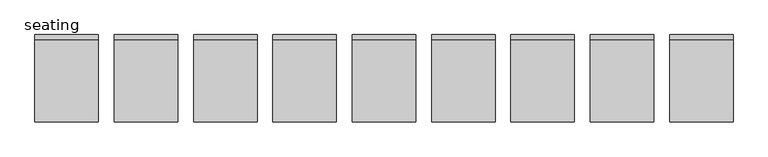
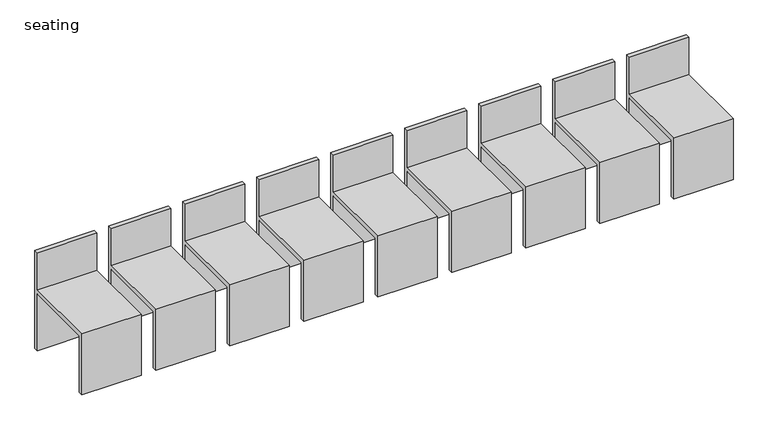
"""IFC4 building model written with IfcOpenShell, lengths in millimetres: railing geometry, seating."""

import ifcopenshell
import ifcopenshell.guid

model = None  # the IFC model being written
_history = None  # IfcOwnerHistory: only IFC2X3 demands one
_inside = {}  # id of a spatial element -> (the spatial element, [elements in it])
_under = {}  # id of a project, library or spatial element -> (it, [spatial elements below it])
_declared = {}  # id of a project -> (the project, [libraries it declares])
_typed = {}  # id of a type object -> (the type object, [elements of that type])
_made_of = {}  # id of a material, layer set ... -> (it, [elements and type objects made of it])


def new_model(schema):
    """Start an empty IFC model of exactly this schema.

    Asked for "IFC4X3", IfcOpenShell would pick the latest addendum, in which some entities
    have other attributes; the version numbers below select the first issue.
    IFC2X3 requires an IfcOwnerHistory on every rooted entity: one is made here for all.
    """
    global model, _history
    if schema == "IFC4X3":
        model = ifcopenshell.file(schema_version=(4, 3, 0, 0))
    else:
        model = ifcopenshell.file(schema=schema)
    _inside.clear()
    _under.clear()
    _declared.clear()
    _typed.clear()
    _made_of.clear()
    _history = None
    if model.schema == "IFC2X3":
        org = make("IfcOrganization", Name="unknown")
        user = make(
            "IfcPersonAndOrganization",
            ThePerson=make("IfcPerson", FamilyName="unknown"),
            TheOrganization=org,
        )
        app = make(
            "IfcApplication",
            ApplicationDeveloper=org,
            Version="unknown",
            ApplicationFullName="unknown",
            ApplicationIdentifier="unknown",
        )
        _history = make(
            "IfcOwnerHistory",
            OwningUser=user,
            OwningApplication=app,
            ChangeAction="ADDED",
            CreationDate=0,
        )
    return model


def make(cls, **values):
    """One entity of the class cls with the attributes given. An attribute that is None is left unset."""
    return model.create_entity(
        cls, **{name: value for name, value in values.items() if value is not None}
    )


def rooted(cls, **values):
    """An entity with a GlobalId (a new one), such as an element, a storey or a relation."""
    return make(cls, GlobalId=ifcopenshell.guid.new(), OwnerHistory=_history, **values)


def si_unit(unit_type, name, prefix=None):
    """IfcSIUnit, for example si_unit("LENGTHUNIT", "METRE", prefix="MILLI")."""
    return make("IfcSIUnit", UnitType=unit_type, Prefix=prefix, Name=name)


def assignment(units):
    """IfcUnitAssignment: the units of a project."""
    return None if units is None else make("IfcUnitAssignment", Units=units)


def point(xyz):
    """IfcCartesianPoint."""
    return None if xyz is None else make("IfcCartesianPoint", Coordinates=xyz)


def direction(xyz):
    """IfcDirection."""
    return None if xyz is None else make("IfcDirection", DirectionRatios=xyz)


def frame(location, z_axis=None, x_axis=None):
    """IfcAxis2Placement3D, a coordinate frame: its origin and axes. An axis left out is left unset."""
    return make(
        "IfcAxis2Placement3D",
        Location=point(location),
        Axis=direction(z_axis),
        RefDirection=direction(x_axis),
    )


def origin():
    """The frame at (0, 0, 0) with its axes left unset."""
    return frame((0.0, 0.0, 0.0))


def place(relative_to, where):
    """IfcLocalPlacement: puts the frame where relative to a parent placement (None: the world)."""
    return make(
        "IfcLocalPlacement", PlacementRelTo=relative_to, RelativePlacement=where
    )


def context(
    kind, dimensions, precision=None, world=None, true_north=None, identifier=None
):
    """IfcGeometricRepresentationContext, for example the 3D "Model" context."""
    return make(
        "IfcGeometricRepresentationContext",
        ContextIdentifier=identifier,
        ContextType=kind,
        CoordinateSpaceDimension=dimensions,
        Precision=precision,
        WorldCoordinateSystem=world,
        TrueNorth=true_north,
    )


def project(units=None, contexts=None):
    """IfcProject with its units and contexts."""
    return rooted(
        "IfcProject",
        Name="project",
        RepresentationContexts=contexts,
        UnitsInContext=assignment(units),
    )


def spatial(cls, under=None, at=None, **own):
    """A site, building, storey or space (cls), placed at a placement, below another one or the project."""
    s = rooted(cls, ObjectPlacement=at, **own)
    if under is not None:
        _under.setdefault(under.id(), (under, []))[1].append(s)
    return s


def polyline(points):
    """IfcPolyline through the points."""
    return make("IfcPolyline", Points=[point(p) for p in points])


def outline(outer, holes=None, kind="AREA"):
    """IfcArbitraryClosedProfileDef: a profile drawn as a closed curve; with holes, ...WithVoids."""
    if holes is None:
        return make("IfcArbitraryClosedProfileDef", ProfileType=kind, OuterCurve=outer)
    return make(
        "IfcArbitraryProfileDefWithVoids",
        ProfileType=kind,
        OuterCurve=outer,
        InnerCurves=holes,
    )


def extrude(swept, where, along, depth):
    """IfcExtrudedAreaSolid: the profile swept, set in the frame where, extruded along a direction by depth."""
    return make(
        "IfcExtrudedAreaSolid",
        SweptArea=swept,
        Position=where,
        ExtrudedDirection=direction(along),
        Depth=depth,
    )


def shape(context_of_items, identifier, shape_type, items):
    """IfcShapeRepresentation: the items that make up one representation, for example the "Body"."""
    return make(
        "IfcShapeRepresentation",
        ContextOfItems=context_of_items,
        RepresentationIdentifier=identifier,
        RepresentationType=shape_type,
        Items=items,
    )


def source(mapping_origin, context_of_items, identifier, shape_type, items):
    """IfcRepresentationMap: a shape defined once, which mapped items show again and again."""
    return make(
        "IfcRepresentationMap",
        MappingOrigin=mapping_origin,
        MappedRepresentation=shape(context_of_items, identifier, shape_type, items),
    )


def transform(
    local_origin,
    x_axis=None,
    y_axis=None,
    z_axis=None,
    scale=None,
    scale2=None,
    scale3=None,
    uniform=True,
):
    """IfcCartesianTransformationOperator3D, or its non-uniform kind. x_axis, y_axis, z_axis: its Axis1, 2, 3."""
    if uniform:
        return make(
            "IfcCartesianTransformationOperator3D",
            Axis1=direction(x_axis),
            Axis2=direction(y_axis),
            LocalOrigin=point(local_origin),
            Scale=scale,
            Axis3=direction(z_axis),
        )
    return make(
        "IfcCartesianTransformationOperator3DnonUniform",
        Axis1=direction(x_axis),
        Axis2=direction(y_axis),
        LocalOrigin=point(local_origin),
        Scale=scale,
        Axis3=direction(z_axis),
        Scale2=scale2,
        Scale3=scale3,
    )


def mapped(mapping_source, mapping_target):
    """IfcMappedItem: shows the shape of a source again, moved by a transform."""
    return make(
        "IfcMappedItem", MappingSource=mapping_source, MappingTarget=mapping_target
    )


def made_of(thing, what):
    """Note that an element or type object is made of a material, layer set ...; save() writes the relation."""
    if what is not None:
        _made_of.setdefault(what.id(), (what, []))[1].append(thing)
    return thing


def element(
    cls,
    number,
    at=None,
    inside=None,
    cuts=None,
    type_object=None,
    material=None,
    context=None,
    identifier="Body",
    shape_type=None,
    held_by="IfcProductDefinitionShape",
    body=None,
    shapes=None,
    **own,
):
    """One element of the class cls, such as IfcWall. Its Tag is "e" and its number.

    at: its placement. inside: the storey or other place that contains it. cuts: it is an
    opening in that element (IfcRelVoidsElement). A single representation is given by context,
    identifier, shape_type and body (its items); several are given by shapes. held_by: the class
    of the entity that holds the representations. save() writes the other relations.
    """
    e = rooted(cls, Tag="e%d" % number, ObjectPlacement=at, **own)
    if body is not None:
        shapes = [shape(context, identifier, shape_type, body)]
    if shapes is not None:
        e.Representation = make(held_by, Representations=shapes)
    if inside is not None:
        _inside.setdefault(inside.id(), (inside, []))[1].append(e)
    if cuts is not None:
        rooted(
            "IfcRelVoidsElement", RelatingBuildingElement=cuts, RelatedOpeningElement=e
        )
    if type_object is not None:
        _typed.setdefault(type_object.id(), (type_object, []))[1].append(e)
    return made_of(e, material)


def aggregate(whole, parts):
    """IfcRelAggregates: a whole, such as a stair, and the parts it consists of."""
    return rooted("IfcRelAggregates", RelatingObject=whole, RelatedObjects=parts)


def save(model, path):
    """Write the relations noted so far, then the file.

    IfcRelAggregates (storeys below a building ...), IfcRelContainedInSpatialStructure (elements
    in a storey), IfcRelDefinesByType, IfcRelAssociatesMaterial and IfcRelDeclares: one each for
    every whole, place, type object, material and project.
    """
    for whole, parts in _under.values():
        aggregate(whole, parts)
    for where, things in _inside.values():
        rooted(
            "IfcRelContainedInSpatialStructure",
            RelatedElements=things,
            RelatingStructure=where,
        )
    for kind, things in _typed.values():
        rooted("IfcRelDefinesByType", RelatedObjects=things, RelatingType=kind)
    for what, things in _made_of.values():
        rooted("IfcRelAssociatesMaterial", RelatedObjects=things, RelatingMaterial=what)
    for by, libraries in _declared.values():
        rooted("IfcRelDeclares", RelatingContext=by, RelatedDefinitions=libraries)
    model.write(path)


def seating_07cf18a8(model_context):
    return source(origin(), model_context, "Body", "SweptSolid", [
        extrude(outline(polyline([(926.1313229, 600.0), (896.1313229, 600.0), (896.1313229, 1004.446213), (406.1313229, 1004.446213), (406.1313229, 600.0), (376.1313229, 600.0), (376.1313229, 1034.446213), (896.1313229, 1034.446213), (896.1313229, 1300.0), (926.1313229, 1300.0), (926.1313229, 600.0)])), frame((-5037.3231975, 0.0, 0.0), z_axis=(1.0, 0.0, 0.0), x_axis=(0.0, 1.0, 0.0)), (0.0, 0.0, 1.0), 400.0),
        extrude(outline(polyline([(926.1313229, 600.0), (896.1313229, 600.0), (896.1313229, 1004.446213), (406.1313229, 1004.446213), (406.1313229, 600.0), (376.1313229, 600.0), (376.1313229, 1034.446213), (896.1313229, 1034.446213), (896.1313229, 1300.0), (926.1313229, 1300.0), (926.1313229, 600.0)])), frame((-5537.3231975, 0.0, 0.0), z_axis=(1.0, 0.0, 0.0), x_axis=(0.0, 1.0, 0.0)), (0.0, 0.0, 1.0), 400.0),
        extrude(outline(polyline([(926.1313229, 600.0), (896.1313229, 600.0), (896.1313229, 1004.446213), (406.1313229, 1004.446213), (406.1313229, 600.0), (376.1313229, 600.0), (376.1313229, 1034.446213), (896.1313229, 1034.446213), (896.1313229, 1300.0), (926.1313229, 1300.0), (926.1313229, 600.0)])), frame((-6037.3231975, 0.0, 0.0), z_axis=(1.0, 0.0, 0.0), x_axis=(0.0, 1.0, 0.0)), (0.0, 0.0, 1.0), 400.0),
        extrude(outline(polyline([(926.1313229, 600.0), (896.1313229, 600.0), (896.1313229, 1004.446213), (406.1313229, 1004.446213), (406.1313229, 600.0), (376.1313229, 600.0), (376.1313229, 1034.446213), (896.1313229, 1034.446213), (896.1313229, 1300.0), (926.1313229, 1300.0), (926.1313229, 600.0)])), frame((-6537.3231975, 0.0, 0.0), z_axis=(1.0, 0.0, 0.0), x_axis=(0.0, 1.0, 0.0)), (0.0, 0.0, 1.0), 400.0),
        extrude(outline(polyline([(926.1313229, 600.0), (896.1313229, 600.0), (896.1313229, 1004.446213), (406.1313229, 1004.446213), (406.1313229, 600.0), (376.1313229, 600.0), (376.1313229, 1034.446213), (896.1313229, 1034.446213), (896.1313229, 1300.0), (926.1313229, 1300.0), (926.1313229, 600.0)])), frame((-7037.3231975, 0.0, 0.0), z_axis=(1.0, 0.0, 0.0), x_axis=(0.0, 1.0, 0.0)), (0.0, 0.0, 1.0), 400.0),
        extrude(outline(polyline([(926.1313229, 600.0), (896.1313229, 600.0), (896.1313229, 1004.446213), (406.1313229, 1004.446213), (406.1313229, 600.0), (376.1313229, 600.0), (376.1313229, 1034.446213), (896.1313229, 1034.446213), (896.1313229, 1300.0), (926.1313229, 1300.0), (926.1313229, 600.0)])), frame((-7537.3231975, 0.0, 0.0), z_axis=(1.0, 0.0, 0.0), x_axis=(0.0, 1.0, 0.0)), (0.0, 0.0, 1.0), 400.0),
        extrude(outline(polyline([(926.1313229, 600.0), (896.1313229, 600.0), (896.1313229, 1004.446213), (406.1313229, 1004.446213), (406.1313229, 600.0), (376.1313229, 600.0), (376.1313229, 1034.446213), (896.1313229, 1034.446213), (896.1313229, 1300.0), (926.1313229, 1300.0), (926.1313229, 600.0)])), frame((-8037.3231975, 0.0, 0.0), z_axis=(1.0, 0.0, 0.0), x_axis=(0.0, 1.0, 0.0)), (0.0, 0.0, 1.0), 400.0),
        extrude(outline(polyline([(926.1313229, 600.0), (896.1313229, 600.0), (896.1313229, 1004.446213), (406.1313229, 1004.446213), (406.1313229, 600.0), (376.1313229, 600.0), (376.1313229, 1034.446213), (896.1313229, 1034.446213), (896.1313229, 1300.0), (926.1313229, 1300.0), (926.1313229, 600.0)])), frame((-8537.3231975, 0.0, 0.0), z_axis=(1.0, 0.0, 0.0), x_axis=(0.0, 1.0, 0.0)), (0.0, 0.0, 1.0), 400.0),
        extrude(outline(polyline([(926.1313229, 600.0), (896.1313229, 600.0), (896.1313229, 1004.446213), (406.1313229, 1004.446213), (406.1313229, 600.0), (376.1313229, 600.0), (376.1313229, 1034.446213), (896.1313229, 1034.446213), (896.1313229, 1300.0), (926.1313229, 1300.0), (926.1313229, 600.0)])), frame((-9037.3231975, 0.0, 0.0), z_axis=(1.0, 0.0, 0.0), x_axis=(0.0, 1.0, 0.0)), (0.0, 0.0, 1.0), 400.0),
    ])


if __name__ == "__main__":
    model = new_model("IFC4")
    model_context = context("Model", 3, world=origin())
    ifc_project = project(units=[si_unit("LENGTHUNIT", "METRE", prefix="MILLI")], contexts=[model_context])
    site = spatial("IfcSite", under=ifc_project)
    building = spatial("IfcBuilding", under=site)
    placement = place(None, origin())
    seating_shape = seating_07cf18a8(model_context)
    element("IfcRailing", 1, ObjectType="seating", at=placement, inside=building, context=model_context, shape_type="MappedRepresentation", body=[
        mapped(seating_shape, transform((0.0, 0.0, 0.0), x_axis=(1.0, 0.0, 0.0), y_axis=(0.0, 1.0, 0.0), z_axis=(0.0, 0.0, 1.0))),
    ])
    save(model, "model.ifc")
